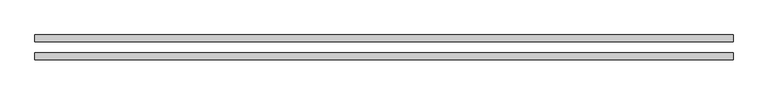
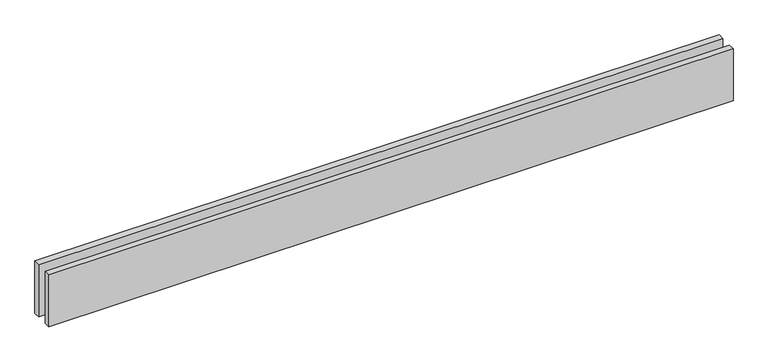
"""IFC4 building model written with IfcOpenShell, lengths in millimetres: proxy geometry."""

from ifc_helpers import new_model, si_unit, origin, origin_with_axes, place, context, project, spatial, polyline, outline, extrude, source, transform, mapped, element, save


def generic_models_c28a6a59(model_context):
    return source(origin(), model_context, "Body", "SweptSolid", [
        extrude(outline(polyline([(3110.0, 25.0), (0.0, 25.0), (0.0, 55.0), (3110.0, 55.0), (3110.0, 25.0)])), origin_with_axes(), (0.0, 0.0, 1.0), 250.0),
        extrude(outline(polyline([(3110.0, -55.0), (0.0, -55.0), (0.0, -25.0), (3110.0, -25.0), (3110.0, -55.0)])), origin_with_axes(), (0.0, 0.0, 1.0), 250.0),
    ])


if __name__ == "__main__":
    model = new_model("IFC4")
    model_context = context("Model", 3, world=origin())
    ifc_project = project(units=[si_unit("LENGTHUNIT", "METRE", prefix="MILLI")], contexts=[model_context])
    site = spatial("IfcSite", under=ifc_project)
    building = spatial("IfcBuilding", under=site)
    placement = place(None, origin())
    generic_models_shape = generic_models_c28a6a59(model_context)
    element("IfcBuildingElementProxy", 1, Name="Generic Models", at=placement, inside=building, context=model_context, shape_type="MappedRepresentation", body=[
        mapped(generic_models_shape, transform((0.0, 0.0, 0.0), x_axis=(1.0, 0.0, 0.0), y_axis=(0.0, 1.0, 0.0), z_axis=(0.0, 0.0, 1.0))),
    ])
    save(model, "model.ifc")
